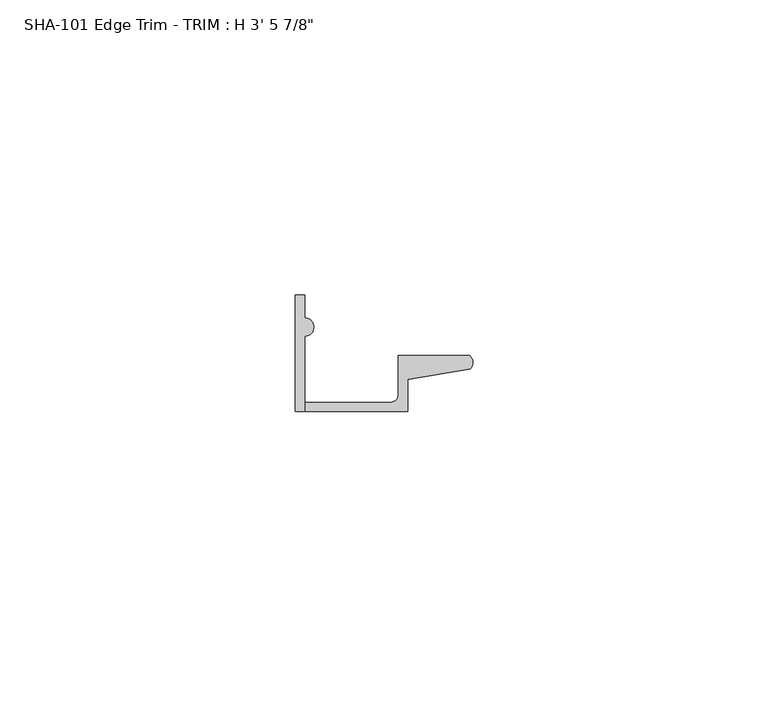
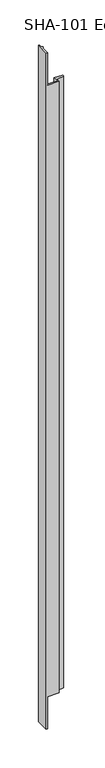
"""IFC4 building model written with IfcOpenShell, lengths in millimetres: proxy geometry."""

from ifc_helpers import new_model, si_unit, frame, origin, place, context, project, spatial, polyline, circle_curve, source, transform, mapped, element, save
from ifc_brep_helpers import plane_surface, cylinder_surface, revolved_surface, advanced_brep


def proxy_5ef63e8f(model_context):
    return source(origin(), model_context, "Body", "AdvancedBrep", [
        advanced_brep(
        [(0.0, 0.0, 1063.625), (1.5748, 0.0, 1063.625), (1.5748, 12.7127, 1063.625), (1.5748, 15.8623, 1063.625), (1.5748, 19.7327081, 1063.625), (0.0, 19.7327081, 1063.625), (1.5748, 0.0, 0.0), (0.0, 0.0, 0.0), (0.0, 19.7327081, 0.0), (1.5748, 19.7327081, 0.0), (1.5748, 15.8623, 0.0), (1.5748, 12.7127, 0.0), (1.5748, 0.0, 50.8), (19.0246, 0.0, 50.8), (19.0246, 0.0, 1012.825), (1.5748, 0.0, 1012.825), (19.0246, 5.392657, 50.8), (19.0246, 5.392657, 1012.825), (29.6006869, 7.2036308, 50.8), (29.6006869, 7.2036308, 1012.825), (29.5346031, 9.525, 50.8), (29.5346031, 9.525, 1012.825), (17.4498, 9.525, 50.8), (17.4498, 9.525, 1012.825), (17.4498, 2.8448, 50.8), (17.4498, 2.8448, 1012.825), (16.1798, 1.5748, 50.8), (16.1798, 1.5748, 1012.825), (1.5748, 1.5748, 50.8), (1.5748, 1.5748, 1012.825)],
        [
            (0, 1),
            (1, 2),
            (2, 3, circle_curve(frame((1.5748, 14.2875, 1063.625), z_axis=(0.0, 0.0, 1.0), x_axis=(0.0, 1.0, 0.0)), 1.5748)),
            (3, 4),
            (4, 5),
            (5, 0),
            (6, 7),
            (7, 8),
            (8, 9),
            (9, 10),
            (10, 11, circle_curve(frame((1.5748, 14.2875, 0.0), z_axis=(0.0, 0.0, -1.0), x_axis=(0.0, 1.0, 0.0)), 1.5748)),
            (11, 6),
            (2, 11),
            (10, 3),
            (9, 4),
            (8, 5),
            (7, 0),
            (6, 12),
            (12, 13),
            (13, 14),
            (14, 15),
            (15, 1),
            (13, 16),
            (16, 17),
            (17, 14),
            (16, 18),
            (18, 19),
            (19, 17),
            (18, 20, circle_curve(frame((28.4438454, 8.3323235, 50.8), z_axis=(0.0, 0.0, 1.0), x_axis=(0.0, 1.0, 0.0)), 1.6162393)),
            (20, 21),
            (21, 19, circle_curve(frame((28.4438454, 8.3323235, 1012.825), z_axis=(0.0, 0.0, -1.0), x_axis=(0.0, 1.0, 0.0)), 1.6162393)),
            (20, 22),
            (22, 23),
            (23, 21),
            (22, 24),
            (24, 25),
            (25, 23),
            (24, 26, circle_curve(frame((16.1798, 2.8448, 50.8), z_axis=(0.0, 0.0, -1.0), x_axis=(0.0, 1.0, 0.0)), 1.27)),
            (26, 27),
            (27, 25, circle_curve(frame((16.1798, 2.8448, 1012.825), z_axis=(0.0, 0.0, 1.0), x_axis=(0.0, 1.0, 0.0)), 1.27)),
            (26, 28),
            (28, 29),
            (29, 27),
            (15, 29),
            (28, 12),
        ],
        [
            plane_surface(frame((1.5748, 12.7127, 1063.625), z_axis=(0.0, 0.0, 1.0), x_axis=(0.0, -1.0, 0.0))),
            plane_surface(frame((1.5748, 12.7127, 0.0), z_axis=(0.0, 0.0, -1.0), x_axis=(0.0, 1.0, 0.0))),
            cylinder_surface(frame((1.5748, 14.2875, 0.0), z_axis=(0.0, 0.0, 1.0), x_axis=(0.0, 1.0, 0.0)), 1.5748),
            plane_surface(frame((1.5748, 19.7327081, 1063.625), z_axis=(1.0, 0.0, 0.0), x_axis=(0.0, 0.0, -1.0))),
            plane_surface(frame((0.0, 19.7327081, 1063.625), z_axis=(0.0, 1.0, 0.0), x_axis=(0.0, 0.0, -1.0))),
            plane_surface(frame((0.0, 0.0, 1063.625), z_axis=(-1.0, 0.0, 0.0), x_axis=(0.0, 0.0, -1.0))),
            plane_surface(frame((19.0246, 0.0, 1063.625), z_axis=(0.0, -1.0, 0.0), x_axis=(0.0, 0.0, -1.0))),
            plane_surface(frame((19.0246, 5.392657, 1063.625), z_axis=(1.0, 0.0, 0.0), x_axis=(0.0, 0.0, -1.0))),
            plane_surface(frame((29.6006869, 7.2036308, 1063.625), z_axis=(0.168776431404418, -0.9856543593990694, 0.0), x_axis=(0.0, 0.0, -1.0))),
            cylinder_surface(frame((28.4438454, 8.3323235, 0.0), z_axis=(0.0, 0.0, 1.0), x_axis=(0.0, 1.0, 0.0)), 1.6162393),
            plane_surface(frame((17.4498, 9.525, 1063.625), z_axis=(0.0, 1.0, 0.0), x_axis=(0.0, 0.0, -1.0))),
            plane_surface(frame((17.4498, 2.8448, 1063.625), z_axis=(-1.0, 0.0, 0.0), x_axis=(0.0, 0.0, -1.0))),
            revolved_surface(polyline([(16.1798, 4.114800000000001, 50.8), (16.1798, 4.114800000000001, 1012.825)]), (16.1798, 2.8448, 0.0), (0.0, 0.0, -1.0)),
            plane_surface(frame((1.5748, 1.5748, 1063.625), z_axis=(0.0, 1.0, 0.0), x_axis=(0.0, 0.0, -1.0))),
            plane_surface(frame((1.5748, 12.7127, 1063.625), z_axis=(1.0, 0.0, 0.0), x_axis=(0.0, 0.0, -1.0))),
            plane_surface(frame((1.5748, 9.525, 1012.825), z_axis=(0.0, 0.0, 1.0), x_axis=(0.0, -1.0, 0.0))),
            plane_surface(frame((30.1393415, 9.525, 50.8), z_axis=(0.0, 0.0, -1.0), x_axis=(0.0, -1.0, 0.0))),
        ],
        [
            (0, [[1, 2, 3, 4, 5, 6]]),
            (1, [[7, 8, 9, 10, 11, 12]]),
            (2, [[13, -11, 14, -3]]),
            (3, [[-14, -10, 15, -4]]),
            (4, [[-15, -9, 16, -5]]),
            (5, [[-16, -8, 17, -6]]),
            (6, [[-7, 18, 19, 20, 21, 22, -1, -17]]),
            (7, [[23, 24, 25, -20]]),
            (8, [[26, 27, 28, -24]]),
            (9, [[29, 30, 31, -27]]),
            (10, [[32, 33, 34, -30]]),
            (11, [[35, 36, 37, -33]]),
            (12, [[38, 39, 40, -36]]),
            (13, [[41, 42, 43, -39]]),
            (14, [[-2, -22, 44, -42, 45, -18, -12, -13]]),
            (15, [[-21, -25, -28, -31, -34, -37, -40, -43, -44]]),
            (16, [[-41, -38, -35, -32, -29, -26, -23, -19, -45]]),
        ],
    ),
    ])


if __name__ == "__main__":
    model = new_model("IFC4")
    model_context = context("Model", 3, world=origin())
    ifc_project = project(units=[si_unit("LENGTHUNIT", "METRE", prefix="MILLI")], contexts=[model_context])
    site = spatial("IfcSite", under=ifc_project)
    building = spatial("IfcBuilding", under=site)
    placement = place(None, origin())
    proxy_shape = proxy_5ef63e8f(model_context)
    element("IfcBuildingElementProxy", 1, Name="SHA-101 Edge Trim - TRIM : H 3' 5 7/8\"", ObjectType="SHA-101 Edge Trim - TRIM : H 3' 5 7/8\"", at=placement, inside=building, context=model_context, shape_type="MappedRepresentation", body=[
        mapped(proxy_shape, transform((0.0, 0.0, 0.0), x_axis=(1.0, 0.0, 0.0), y_axis=(0.0, 1.0, 0.0), z_axis=(0.0, 0.0, 1.0))),
    ])
    save(model, "model.ifc")
